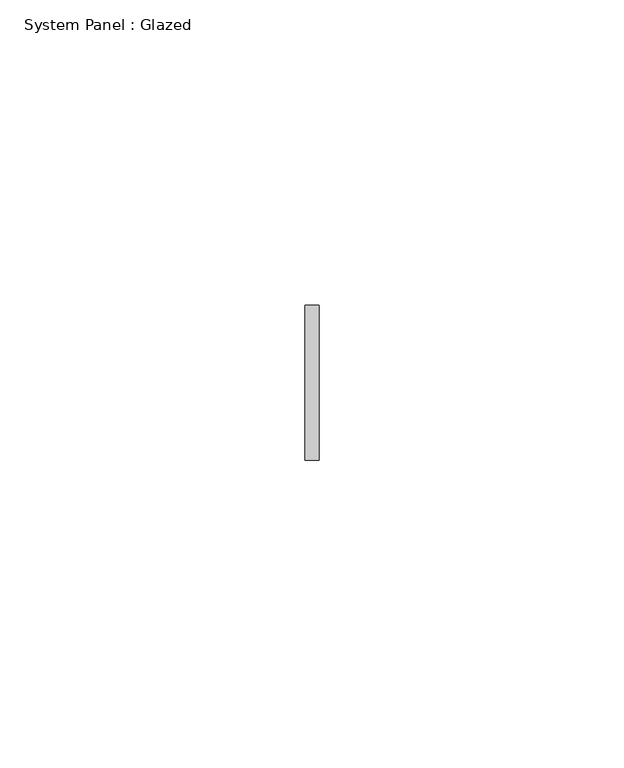
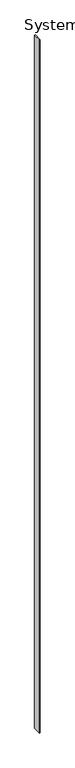
"""IFC4 building model written with IfcOpenShell, lengths in millimetres: plate geometry, System Panel : Glazed."""

from ifc_helpers import new_model, si_unit, origin, origin_with_axes, place, context, project, spatial, polyline, outline, extrude, source, transform, mapped, element, save


def system_panel_glazed_05a23389(model_context):
    return source(origin(), model_context, "Body", "SweptSolid", [
        extrude(outline(polyline([(1.1307459, 19.05), (-1.1307459, 19.05), (-1.1307459, 44.45), (1.1307459, 44.45), (1.1307459, 19.05)])), origin_with_axes(), (0.0, 0.0, 1.0), 2219.4303907),
    ])


if __name__ == "__main__":
    model = new_model("IFC4")
    model_context = context("Model", 3, world=origin())
    ifc_project = project(units=[si_unit("LENGTHUNIT", "METRE", prefix="MILLI")], contexts=[model_context])
    site = spatial("IfcSite", under=ifc_project)
    building = spatial("IfcBuilding", under=site)
    placement = place(None, origin())
    system_panel_glazed_shape = system_panel_glazed_05a23389(model_context)
    element("IfcPlate", 1, ObjectType="System Panel : Glazed", at=placement, inside=building, context=model_context, shape_type="MappedRepresentation", body=[
        mapped(system_panel_glazed_shape, transform((0.0, 0.0, 0.0), x_axis=(1.0, 0.0, 0.0), y_axis=(0.0, 1.0, 0.0), z_axis=(0.0, 0.0, 1.0))),
    ])
    save(model, "model.ifc")
